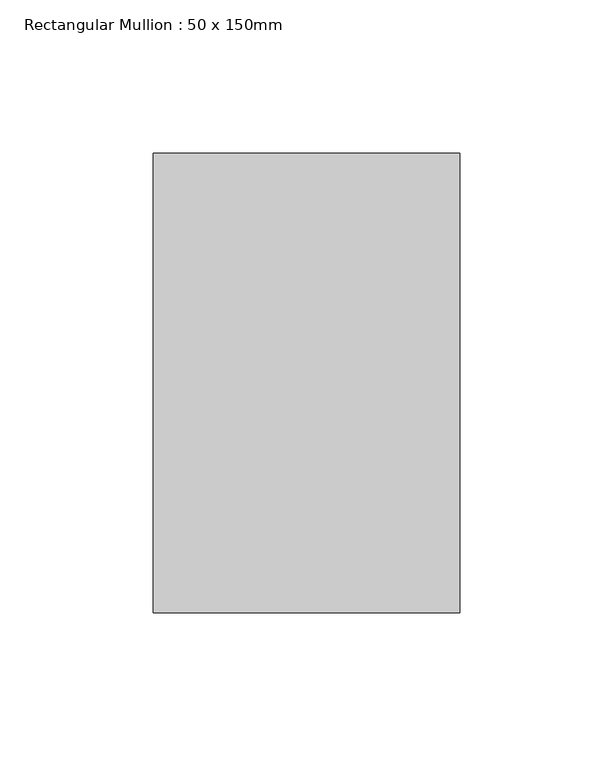
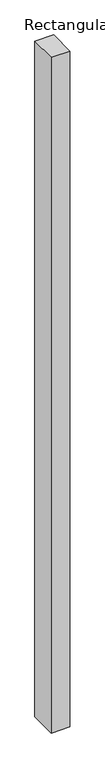
"""IFC4 building model written with IfcOpenShell, lengths in millimetres: member geometry, Rectangular Mullion : 50 x 150mm."""

from ifc_helpers import new_model, si_unit, frame, origin, place, context, project, spatial, polyline, outline, extrude, source, transform, mapped, element, save


def rectangular_mullion_50_x_150mm_3680be4d(model_context):
    return source(origin(), model_context, "Body", "SweptSolid", [
        extrude(outline(polyline([(0.0, 75.0), (0.0, -75.0), (-100.0, -75.0), (-100.0, 75.0), (0.0, 75.0)])), frame((0.0, 0.0, -3805.2771864), z_axis=(0.0, 0.0, 1.0), x_axis=(1.0, 0.0, 0.0)), (0.0, 0.0, 1.0), 3805.2771864),
    ])


if __name__ == "__main__":
    model = new_model("IFC4")
    model_context = context("Model", 3, world=origin())
    ifc_project = project(units=[si_unit("LENGTHUNIT", "METRE", prefix="MILLI")], contexts=[model_context])
    site = spatial("IfcSite", under=ifc_project)
    building = spatial("IfcBuilding", under=site)
    placement = place(None, origin())
    rectangular_mullion_50_x_150mm_shape = rectangular_mullion_50_x_150mm_3680be4d(model_context)
    element("IfcMember", 1, ObjectType="Rectangular Mullion : 50 x 150mm", at=placement, inside=building, context=model_context, shape_type="MappedRepresentation", body=[
        mapped(rectangular_mullion_50_x_150mm_shape, transform((0.0, 0.0, 0.0), x_axis=(1.0, 0.0, 0.0), y_axis=(0.0, 1.0, 0.0), z_axis=(0.0, 0.0, 1.0))),
    ])
    save(model, "model.ifc")
